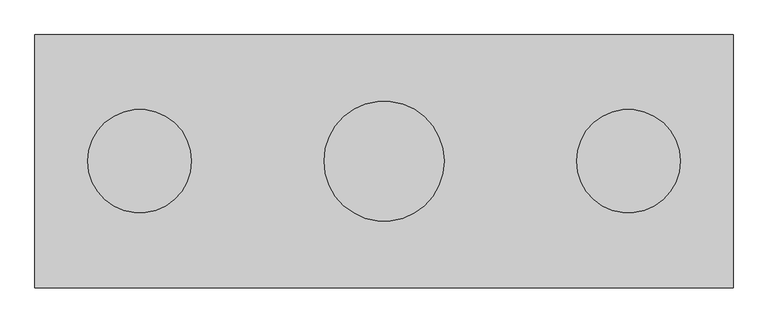
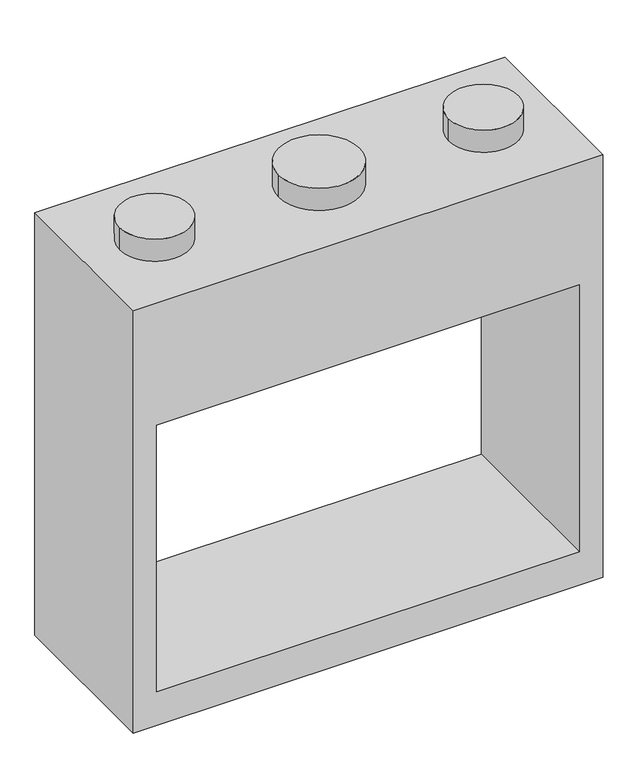
"""IFC4 building model written with IfcOpenShell, lengths in millimetres: proxy geometry."""

from ifc_helpers import new_model, si_unit, point, frame, frame_2d, origin, origin_2d, place, context, project, spatial, polyline, circle_curve, trimmed, segment, composite_curve, outline, extrude, source, transform, mapped, element, save


def generic_models_c4216fee(model_context):
    return source(origin(), model_context, "Body", "SweptSolid", [
        extrude(outline(polyline([(1930.4, 1016.0), (1930.4, -1016.0), (0.0, -1016.0), (0.0, 1016.0), (1930.4, 1016.0)]), holes=[polyline([(1371.6, -914.4), (1371.6, 914.4), (152.4, 914.4), (152.4, -914.4), (1371.6, -914.4)])]), frame((0.0, -368.3, 0.0), z_axis=(0.0, 1.0, 0.0), x_axis=(0.0, 0.0, 1.0)), (0.0, 0.0, 1.0), 736.6),
        extrude(outline(composite_curve([segment(trimmed(circle_curve(frame_2d((-711.2, 0.0)), 150.8125), [point((-862.0125, 0.0))], [point((-560.3875, 0.0))], False, "CARTESIAN"), True, "CONTINUOUS"), segment(trimmed(circle_curve(frame_2d((-711.2, 0.0)), 150.8125), [point((-560.3875, 0.0))], [point((-862.0125, 0.0))], False, "CARTESIAN"), True, "CONTINUOUS")], self_intersect=False)), frame((0.0, 0.0, 1930.4), z_axis=(0.0, 0.0, 1.0), x_axis=(1.0, 0.0, 0.0)), (0.0, 0.0, 1.0), 101.6),
        extrude(outline(composite_curve([segment(trimmed(circle_curve(origin_2d(), 174.625), [point((-174.625, 0.0))], [point((174.625, 0.0))], False, "CARTESIAN"), True, "CONTINUOUS"), segment(trimmed(circle_curve(origin_2d(), 174.625), [point((174.625, 0.0))], [point((-174.625, 0.0))], False, "CARTESIAN"), True, "CONTINUOUS")], self_intersect=False)), frame((0.0, 0.0, 1930.4), z_axis=(0.0, 0.0, 1.0), x_axis=(1.0, 0.0, 0.0)), (0.0, 0.0, 1.0), 101.6),
        extrude(outline(composite_curve([segment(trimmed(circle_curve(frame_2d((711.2, 0.0)), 150.8125), [point((560.3875, 0.0))], [point((862.0125, 0.0))], False, "CARTESIAN"), True, "CONTINUOUS"), segment(trimmed(circle_curve(frame_2d((711.2, 0.0)), 150.8125), [point((862.0125, 0.0))], [point((560.3875, 0.0))], False, "CARTESIAN"), True, "CONTINUOUS")], self_intersect=False)), frame((0.0, 0.0, 1930.4), z_axis=(0.0, 0.0, 1.0), x_axis=(1.0, 0.0, 0.0)), (0.0, 0.0, 1.0), 101.6),
    ])


if __name__ == "__main__":
    model = new_model("IFC4")
    model_context = context("Model", 3, world=origin())
    ifc_project = project(units=[si_unit("LENGTHUNIT", "METRE", prefix="MILLI")], contexts=[model_context])
    site = spatial("IfcSite", under=ifc_project)
    building = spatial("IfcBuilding", under=site)
    placement = place(None, origin())
    generic_models_shape = generic_models_c4216fee(model_context)
    element("IfcBuildingElementProxy", 1, Name="Generic Models", at=placement, inside=building, context=model_context, shape_type="MappedRepresentation", body=[
        mapped(generic_models_shape, transform((0.0, 0.0, 0.0), x_axis=(1.0, 0.0, 0.0), y_axis=(0.0, 1.0, 0.0), z_axis=(0.0, 0.0, 1.0))),
    ])
    save(model, "model.ifc")
